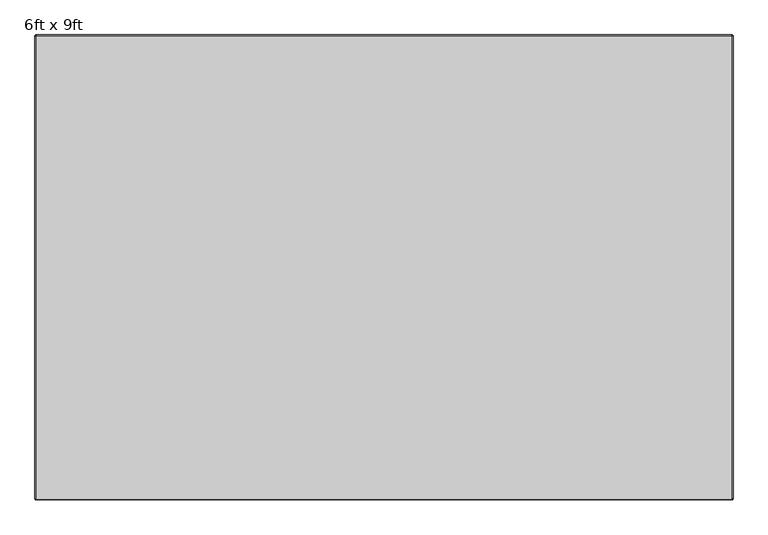
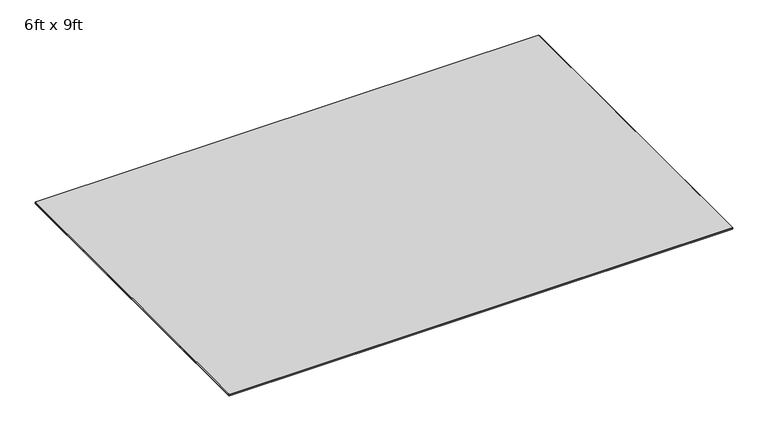
"""IFC4 building model written with IfcOpenShell, lengths in millimetres: furniture geometry, 6ft x 9ft."""

import ifcopenshell
import ifcopenshell.guid

model = None  # the IFC model being written
_history = None  # IfcOwnerHistory: only IFC2X3 demands one
_inside = {}  # id of a spatial element -> (the spatial element, [elements in it])
_under = {}  # id of a project, library or spatial element -> (it, [spatial elements below it])
_declared = {}  # id of a project -> (the project, [libraries it declares])
_typed = {}  # id of a type object -> (the type object, [elements of that type])
_made_of = {}  # id of a material, layer set ... -> (it, [elements and type objects made of it])


def new_model(schema):
    """Start an empty IFC model of exactly this schema.

    Asked for "IFC4X3", IfcOpenShell would pick the latest addendum, in which some entities
    have other attributes; the version numbers below select the first issue.
    IFC2X3 requires an IfcOwnerHistory on every rooted entity: one is made here for all.
    """
    global model, _history
    if schema == "IFC4X3":
        model = ifcopenshell.file(schema_version=(4, 3, 0, 0))
    else:
        model = ifcopenshell.file(schema=schema)
    _inside.clear()
    _under.clear()
    _declared.clear()
    _typed.clear()
    _made_of.clear()
    _history = None
    if model.schema == "IFC2X3":
        org = make("IfcOrganization", Name="unknown")
        user = make(
            "IfcPersonAndOrganization",
            ThePerson=make("IfcPerson", FamilyName="unknown"),
            TheOrganization=org,
        )
        app = make(
            "IfcApplication",
            ApplicationDeveloper=org,
            Version="unknown",
            ApplicationFullName="unknown",
            ApplicationIdentifier="unknown",
        )
        _history = make(
            "IfcOwnerHistory",
            OwningUser=user,
            OwningApplication=app,
            ChangeAction="ADDED",
            CreationDate=0,
        )
    return model


def make(cls, **values):
    """One entity of the class cls with the attributes given. An attribute that is None is left unset."""
    return model.create_entity(
        cls, **{name: value for name, value in values.items() if value is not None}
    )


def rooted(cls, **values):
    """An entity with a GlobalId (a new one), such as an element, a storey or a relation."""
    return make(cls, GlobalId=ifcopenshell.guid.new(), OwnerHistory=_history, **values)


def si_unit(unit_type, name, prefix=None):
    """IfcSIUnit, for example si_unit("LENGTHUNIT", "METRE", prefix="MILLI")."""
    return make("IfcSIUnit", UnitType=unit_type, Prefix=prefix, Name=name)


def assignment(units):
    """IfcUnitAssignment: the units of a project."""
    return None if units is None else make("IfcUnitAssignment", Units=units)


def point(xyz):
    """IfcCartesianPoint."""
    return None if xyz is None else make("IfcCartesianPoint", Coordinates=xyz)


def direction(xyz):
    """IfcDirection."""
    return None if xyz is None else make("IfcDirection", DirectionRatios=xyz)


def frame(location, z_axis=None, x_axis=None):
    """IfcAxis2Placement3D, a coordinate frame: its origin and axes. An axis left out is left unset."""
    return make(
        "IfcAxis2Placement3D",
        Location=point(location),
        Axis=direction(z_axis),
        RefDirection=direction(x_axis),
    )


def origin():
    """The frame at (0, 0, 0) with its axes left unset."""
    return frame((0.0, 0.0, 0.0))


def place(relative_to, where):
    """IfcLocalPlacement: puts the frame where relative to a parent placement (None: the world)."""
    return make(
        "IfcLocalPlacement", PlacementRelTo=relative_to, RelativePlacement=where
    )


def context(
    kind, dimensions, precision=None, world=None, true_north=None, identifier=None
):
    """IfcGeometricRepresentationContext, for example the 3D "Model" context."""
    return make(
        "IfcGeometricRepresentationContext",
        ContextIdentifier=identifier,
        ContextType=kind,
        CoordinateSpaceDimension=dimensions,
        Precision=precision,
        WorldCoordinateSystem=world,
        TrueNorth=true_north,
    )


def project(units=None, contexts=None):
    """IfcProject with its units and contexts."""
    return rooted(
        "IfcProject",
        Name="project",
        RepresentationContexts=contexts,
        UnitsInContext=assignment(units),
    )


def spatial(cls, under=None, at=None, **own):
    """A site, building, storey or space (cls), placed at a placement, below another one or the project."""
    s = rooted(cls, ObjectPlacement=at, **own)
    if under is not None:
        _under.setdefault(under.id(), (under, []))[1].append(s)
    return s


def polyline(points):
    """IfcPolyline through the points."""
    return make("IfcPolyline", Points=[point(p) for p in points])


def circle_curve(where, radius):
    """IfcCircle in the frame where."""
    return make("IfcCircle", Position=where, Radius=radius)


def shape(context_of_items, identifier, shape_type, items):
    """IfcShapeRepresentation: the items that make up one representation, for example the "Body"."""
    return make(
        "IfcShapeRepresentation",
        ContextOfItems=context_of_items,
        RepresentationIdentifier=identifier,
        RepresentationType=shape_type,
        Items=items,
    )


def source(mapping_origin, context_of_items, identifier, shape_type, items):
    """IfcRepresentationMap: a shape defined once, which mapped items show again and again."""
    return make(
        "IfcRepresentationMap",
        MappingOrigin=mapping_origin,
        MappedRepresentation=shape(context_of_items, identifier, shape_type, items),
    )


def transform(
    local_origin,
    x_axis=None,
    y_axis=None,
    z_axis=None,
    scale=None,
    scale2=None,
    scale3=None,
    uniform=True,
):
    """IfcCartesianTransformationOperator3D, or its non-uniform kind. x_axis, y_axis, z_axis: its Axis1, 2, 3."""
    if uniform:
        return make(
            "IfcCartesianTransformationOperator3D",
            Axis1=direction(x_axis),
            Axis2=direction(y_axis),
            LocalOrigin=point(local_origin),
            Scale=scale,
            Axis3=direction(z_axis),
        )
    return make(
        "IfcCartesianTransformationOperator3DnonUniform",
        Axis1=direction(x_axis),
        Axis2=direction(y_axis),
        LocalOrigin=point(local_origin),
        Scale=scale,
        Axis3=direction(z_axis),
        Scale2=scale2,
        Scale3=scale3,
    )


def mapped(mapping_source, mapping_target):
    """IfcMappedItem: shows the shape of a source again, moved by a transform."""
    return make(
        "IfcMappedItem", MappingSource=mapping_source, MappingTarget=mapping_target
    )


def made_of(thing, what):
    """Note that an element or type object is made of a material, layer set ...; save() writes the relation."""
    if what is not None:
        _made_of.setdefault(what.id(), (what, []))[1].append(thing)
    return thing


def element(
    cls,
    number,
    at=None,
    inside=None,
    cuts=None,
    type_object=None,
    material=None,
    context=None,
    identifier="Body",
    shape_type=None,
    held_by="IfcProductDefinitionShape",
    body=None,
    shapes=None,
    **own,
):
    """One element of the class cls, such as IfcWall. Its Tag is "e" and its number.

    at: its placement. inside: the storey or other place that contains it. cuts: it is an
    opening in that element (IfcRelVoidsElement). A single representation is given by context,
    identifier, shape_type and body (its items); several are given by shapes. held_by: the class
    of the entity that holds the representations. save() writes the other relations.
    """
    e = rooted(cls, Tag="e%d" % number, ObjectPlacement=at, **own)
    if body is not None:
        shapes = [shape(context, identifier, shape_type, body)]
    if shapes is not None:
        e.Representation = make(held_by, Representations=shapes)
    if inside is not None:
        _inside.setdefault(inside.id(), (inside, []))[1].append(e)
    if cuts is not None:
        rooted(
            "IfcRelVoidsElement", RelatingBuildingElement=cuts, RelatedOpeningElement=e
        )
    if type_object is not None:
        _typed.setdefault(type_object.id(), (type_object, []))[1].append(e)
    return made_of(e, material)


def aggregate(whole, parts):
    """IfcRelAggregates: a whole, such as a stair, and the parts it consists of."""
    return rooted("IfcRelAggregates", RelatingObject=whole, RelatedObjects=parts)


def save(model, path):
    """Write the relations noted so far, then the file.

    IfcRelAggregates (storeys below a building ...), IfcRelContainedInSpatialStructure (elements
    in a storey), IfcRelDefinesByType, IfcRelAssociatesMaterial and IfcRelDeclares: one each for
    every whole, place, type object, material and project.
    """
    for whole, parts in _under.values():
        aggregate(whole, parts)
    for where, things in _inside.values():
        rooted(
            "IfcRelContainedInSpatialStructure",
            RelatedElements=things,
            RelatingStructure=where,
        )
    for kind, things in _typed.values():
        rooted("IfcRelDefinesByType", RelatedObjects=things, RelatingType=kind)
    for what, things in _made_of.values():
        rooted("IfcRelAssociatesMaterial", RelatedObjects=things, RelatingMaterial=what)
    for by, libraries in _declared.values():
        rooted("IfcRelDeclares", RelatingContext=by, RelatedDefinitions=libraries)
    model.write(path)


def plane_surface(at):
    """IfcPlane: the flat surface through the origin of the frame at, square to its z axis."""
    return make("IfcPlane", Position=at)


def cylinder_surface(at, radius):
    """IfcCylindricalSurface: all points at the distance radius from the z axis of the frame at."""
    return make("IfcCylindricalSurface", Position=at, Radius=radius)


def revolved_surface(curve, axis_point, axis_direction):
    """IfcSurfaceOfRevolution: the curve turned about the line through axis_point along axis_direction."""
    return make(
        "IfcSurfaceOfRevolution",
        SweptCurve=make("IfcArbitraryOpenProfileDef", ProfileType="CURVE", Curve=curve),
        AxisPosition=make("IfcAxis1Placement", Location=point(axis_point), Axis=direction(axis_direction)),
    )


def advanced_brep(points, edges, surfaces, faces):
    """IfcAdvancedBrep: a solid bounded by faces that lie on surfaces and meet in shared edges.

    An edge is (start, end): straight between two places in points (the first is 0);
    or (start, end, curve); or (start, end, curve, False) where it runs against its curve.
    A face is (place in surfaces, loops), or (place, loops, False) where it looks against
    its surface's normal. A loop lists edges by number (the first is 1), with a minus sign
    where the edge is run from its end to its start. The first loop is the outer one.
    """
    corners = [point(p) for p in points]
    vertices = [make("IfcVertexPoint", VertexGeometry=c) for c in corners]
    made = []
    for start, end, *more in edges:
        made.append(
            make(
                "IfcEdgeCurve",
                EdgeStart=vertices[start],
                EdgeEnd=vertices[end],
                EdgeGeometry=more[0] if more else make("IfcPolyline", Points=[corners[start], corners[end]]),
                SameSense=more[1] if len(more) > 1 else True,
            )
        )
    hull = []
    for where, loops, *sense in faces:
        bounds = []
        for j, loop in enumerate(loops):
            ring = [make("IfcOrientedEdge", EdgeElement=made[abs(k) - 1], Orientation=k > 0) for k in loop]
            bounds.append(
                make(
                    "IfcFaceOuterBound" if j == 0 else "IfcFaceBound",
                    Bound=make("IfcEdgeLoop", EdgeList=ring),
                    Orientation=True,
                )
            )
        hull.append(make("IfcAdvancedFace", Bounds=bounds, FaceSurface=surfaces[where], SameSense=sense[0] if sense else True))
    return make("IfcAdvancedBrep", Outer=make("IfcClosedShell", CfsFaces=hull))


def furniture_6ft_x_9ft_9712701d(model_context):
    return source(origin(), model_context, "Body", "AdvancedBrep", [
        advanced_brep(
        [(-658.8809829, 798.9249977, 6.9850002), (-661.4265124, 796.3794681, 6.9850002), (-661.4265124, -1022.2550023, 6.9850002), (-658.8865124, -1024.7950023, 6.9850002), (2074.1533713, -1024.7950023, 6.9850002), (2076.6933713, -1022.2550023, 6.9850002), (2076.6933713, 796.3849977, 6.9850002), (2074.1533713, 798.9249977, 6.9850002), (-663.9665124, 796.3794681, 0.0), (-658.8809829, 801.4649977, 0.0), (2074.1533713, 801.4649977, 0.0), (2079.2333713, 796.3849977, 0.0), (2079.2333713, -1022.2550023, 0.0), (2074.1533713, -1027.3350023, 0.0), (-658.8865124, -1027.3350023, 0.0), (-663.9665124, -1022.2550023, 0.0), (-663.9665124, 796.3794681, 4.4450002), (-658.8809829, 801.4649977, 4.4450002), (-663.9665124, -1022.2550023, 4.4450002), (-658.8865124, -1027.3350023, 4.4450002), (2074.1533713, -1027.3350023, 4.4450002), (2079.2333713, -1022.2550023, 4.4450002), (2079.2333713, 796.3849977, 4.4450002), (2074.1533713, 801.4649977, 4.4450002)],
        [
            (0, 1, circle_curve(frame((-658.8809829, 796.3794681, 6.9850002), z_axis=(0.0, 0.0, 1.0), x_axis=(0.0, 1.0, 0.0)), 2.5455296)),
            (1, 2),
            (2, 3, circle_curve(frame((-658.8865124, -1022.2550023, 6.9850002), z_axis=(0.0, 0.0, 1.0), x_axis=(-1.0, 0.0, 0.0)), 2.54)),
            (3, 4),
            (4, 5, circle_curve(frame((2074.1533713, -1022.2550023, 6.9850002), z_axis=(0.0, 0.0, 1.0), x_axis=(0.0, -1.0, 0.0)), 2.54)),
            (5, 6),
            (6, 7, circle_curve(frame((2074.1533713, 796.3849977, 6.9850002), z_axis=(0.0, 0.0, 1.0), x_axis=(1.0, 0.0, 0.0)), 2.54)),
            (7, 0),
            (8, 9, circle_curve(frame((-658.8809829, 796.3794681, 0.0), z_axis=(0.0, 0.0, -1.0), x_axis=(0.0, 1.0, 0.0)), 5.0855296)),
            (9, 10),
            (10, 11, circle_curve(frame((2074.1533713, 796.3849977, 0.0), z_axis=(0.0, 0.0, -1.0), x_axis=(1.0, 0.0, 0.0)), 5.08)),
            (11, 12),
            (12, 13, circle_curve(frame((2074.1533713, -1022.2550023, 0.0), z_axis=(0.0, 0.0, -1.0), x_axis=(0.0, -1.0, 0.0)), 5.08)),
            (13, 14),
            (14, 15, circle_curve(frame((-658.8865124, -1022.2550023, 0.0), z_axis=(0.0, 0.0, -1.0), x_axis=(-1.0, 0.0, 0.0)), 5.08)),
            (15, 8),
            (16, 17, circle_curve(frame((-658.8809829, 796.3794681, 4.4450002), z_axis=(0.0, 0.0, -1.0), x_axis=(0.0, 1.0, 0.0)), 5.0855296)),
            (17, 9),
            (8, 16),
            (16, 1),
            (0, 17),
            (15, 18),
            (18, 16),
            (18, 2),
            (14, 19),
            (19, 18, circle_curve(frame((-658.8865124, -1022.2550023, 4.4450002), z_axis=(0.0, 0.0, -1.0), x_axis=(-1.0, 0.0, 0.0)), 5.08)),
            (19, 3),
            (13, 20),
            (20, 19),
            (20, 4),
            (12, 21),
            (21, 20, circle_curve(frame((2074.1533713, -1022.2550023, 4.4450002), z_axis=(0.0, 0.0, -1.0), x_axis=(0.0, -1.0, 0.0)), 5.08)),
            (21, 5),
            (11, 22),
            (22, 21),
            (22, 6),
            (10, 23),
            (23, 22, circle_curve(frame((2074.1533713, 796.3849977, 4.4450002), z_axis=(0.0, 0.0, -1.0), x_axis=(1.0, 0.0, 0.0)), 5.08)),
            (23, 7),
            (17, 23),
        ],
        [
            plane_surface(frame((-658.8809829, 798.9249977, 6.9850002), z_axis=(0.0, 0.0, 1.0), x_axis=(-1.0, 0.0, 0.0))),
            plane_surface(frame((-658.8809829, 798.9249977, 0.0), z_axis=(0.0, 0.0, -1.0), x_axis=(1.0, 0.0, 0.0))),
            cylinder_surface(frame((-658.8809829, 796.3794681, 0.0), z_axis=(0.0, 0.0, 1.0), x_axis=(0.0, 1.0, 0.0)), 5.0855296),
            revolved_surface(polyline([(-658.8809829, 801.4649977, 4.4450002), (-658.8809829, 798.9249977, 6.9850002)]), (-658.8809829, 796.3794681, 0.0), (0.0, 0.0, 1.0)),
            plane_surface(frame((-663.9665124, 796.3794681, 0.0), z_axis=(-1.0, 0.0, 0.0), x_axis=(0.0, -1.0, 0.0))),
            plane_surface(frame((-663.9665124, 796.3794681, 4.4450002), z_axis=(-0.7071067811865469, 0.0, 0.7071067811865482), x_axis=(0.0, -1.0, 0.0))),
            cylinder_surface(frame((-658.8865124, -1022.2550023, 0.0), z_axis=(0.0, 0.0, 1.0), x_axis=(-1.0, 0.0, 0.0)), 5.08),
            revolved_surface(polyline([(-663.9665124, -1022.2550023, 4.4450002), (-661.4265124, -1022.2550023, 6.9850002)]), (-658.8865124, -1022.2550023, 0.0), (0.0, 0.0, 1.0)),
            plane_surface(frame((-658.8865124, -1027.3350023, 0.0), z_axis=(0.0, -1.0, 0.0), x_axis=(1.0, 0.0, 0.0))),
            plane_surface(frame((-658.8865124, -1027.3350023, 4.4450002), z_axis=(0.0, -0.7071067811865469, 0.7071067811865482), x_axis=(1.0, 0.0, 0.0))),
            cylinder_surface(frame((2074.1533713, -1022.2550023, 0.0), z_axis=(0.0, 0.0, 1.0), x_axis=(0.0, -1.0, 0.0)), 5.08),
            revolved_surface(polyline([(2074.1533713, -1027.3350023, 4.4450002), (2074.1533713, -1024.7950023, 6.9850002)]), (2074.1533713, -1022.2550023, 0.0), (0.0, 0.0, 1.0)),
            plane_surface(frame((2079.2333713, -1022.2550023, 0.0), z_axis=(1.0, 0.0, 0.0), x_axis=(0.0, 1.0, 0.0))),
            plane_surface(frame((2079.2333713, -1022.2550023, 4.4450002), z_axis=(0.7071067811865469, 0.0, 0.7071067811865482), x_axis=(0.0, 1.0, 0.0))),
            cylinder_surface(frame((2074.1533713, 796.3849977, 0.0), z_axis=(0.0, 0.0, 1.0), x_axis=(1.0, 0.0, 0.0)), 5.08),
            revolved_surface(polyline([(2079.2333713, 796.3849977, 4.4450002), (2076.6933713, 796.3849977, 6.9850002)]), (2074.1533713, 796.3849977, 0.0), (0.0, 0.0, 1.0)),
            plane_surface(frame((2074.1533713, 801.4649977, 0.0), z_axis=(0.0, 1.0, 0.0), x_axis=(-1.0, 0.0, 0.0))),
            plane_surface(frame((2074.1533713, 801.4649977, 4.4450002), z_axis=(0.0, 0.7071067811865469, 0.7071067811865482), x_axis=(-1.0, 0.0, 0.0))),
        ],
        [
            (0, [[1, 2, 3, 4, 5, 6, 7, 8]]),
            (1, [[9, 10, 11, 12, 13, 14, 15, 16]]),
            (2, [[17, 18, -9, 19]]),
            (3, [[-17, 20, -1, 21]]),
            (4, [[-19, -16, 22, 23]]),
            (5, [[-20, -23, 24, -2]]),
            (6, [[-22, -15, 25, 26]]),
            (7, [[-24, -26, 27, -3]]),
            (8, [[-25, -14, 28, 29]]),
            (9, [[-27, -29, 30, -4]]),
            (10, [[-28, -13, 31, 32]]),
            (11, [[-30, -32, 33, -5]]),
            (12, [[-31, -12, 34, 35]]),
            (13, [[-33, -35, 36, -6]]),
            (14, [[-34, -11, 37, 38]]),
            (15, [[-36, -38, 39, -7]]),
            (16, [[-18, 40, -37, -10]]),
            (17, [[-21, -8, -39, -40]]),
        ],
    ),
    ])


if __name__ == "__main__":
    model = new_model("IFC4")
    model_context = context("Model", 3, world=origin())
    ifc_project = project(units=[si_unit("LENGTHUNIT", "METRE", prefix="MILLI")], contexts=[model_context])
    site = spatial("IfcSite", under=ifc_project)
    building = spatial("IfcBuilding", under=site)
    placement = place(None, origin())
    furniture_6ft_x_9ft_shape = furniture_6ft_x_9ft_9712701d(model_context)
    element("IfcFurniture", 1, ObjectType="6ft x 9ft", at=placement, inside=building, context=model_context, shape_type="MappedRepresentation", body=[
        mapped(furniture_6ft_x_9ft_shape, transform((0.0, 0.0, 0.0), x_axis=(1.0, 0.0, 0.0), y_axis=(0.0, 1.0, 0.0), z_axis=(0.0, 0.0, 1.0))),
    ])
    save(model, "model.ifc")
